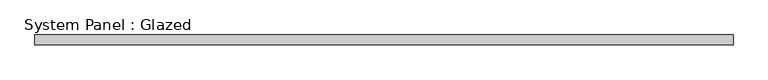
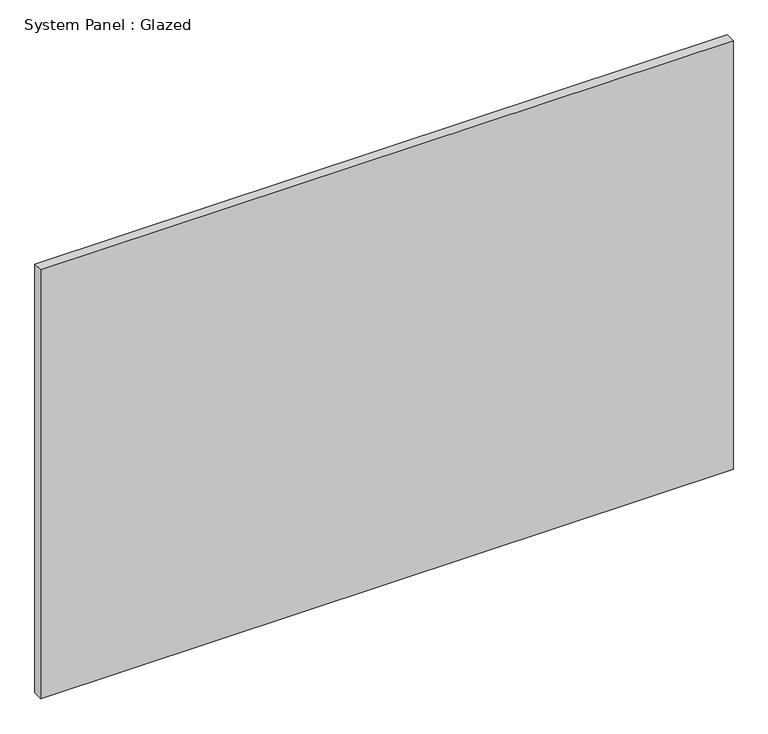
"""IFC4 building model written with IfcOpenShell, lengths in millimetres: plate geometry, System Panel : Glazed."""

from ifc_helpers import new_model, si_unit, origin, origin_with_axes, place, context, project, spatial, polyline, outline, extrude, source, transform, mapped, element, save


def system_panel_glazed_883d0101(model_context):
    return source(origin(), model_context, "Body", "SweptSolid", [
        extrude(outline(polyline([(882.65, -44.45), (-882.65, -44.45), (-882.65, -19.05), (882.65, -19.05), (882.65, -44.45)])), origin_with_axes(), (0.0, 0.0, 1.0), 1155.7),
    ])


if __name__ == "__main__":
    model = new_model("IFC4")
    model_context = context("Model", 3, world=origin())
    ifc_project = project(units=[si_unit("LENGTHUNIT", "METRE", prefix="MILLI")], contexts=[model_context])
    site = spatial("IfcSite", under=ifc_project)
    building = spatial("IfcBuilding", under=site)
    placement = place(None, origin())
    system_panel_glazed_shape = system_panel_glazed_883d0101(model_context)
    element("IfcPlate", 1, ObjectType="System Panel : Glazed", at=placement, inside=building, context=model_context, shape_type="MappedRepresentation", body=[
        mapped(system_panel_glazed_shape, transform((0.0, 0.0, 0.0), x_axis=(1.0, 0.0, 0.0), y_axis=(0.0, 1.0, 0.0), z_axis=(0.0, 0.0, 1.0))),
    ])
    save(model, "model.ifc")
